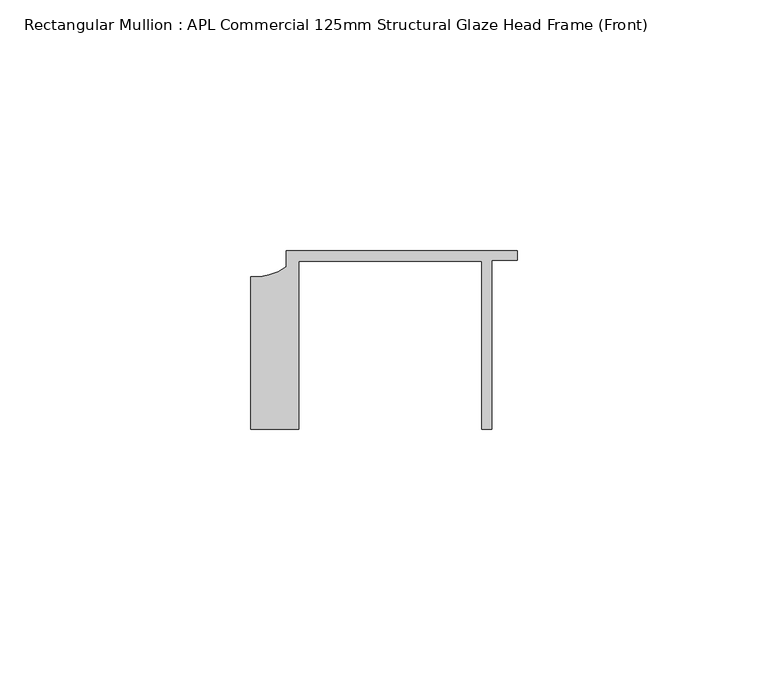
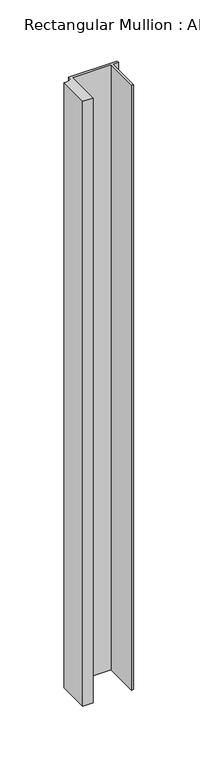
"""IFC4 building model written with IfcOpenShell, lengths in millimetres: member geometry, Rectangular Mullion : APL Commercial 125mm Structural Glaze Head Frame (Front)."""

import ifcopenshell
import ifcopenshell.guid

model = None  # the IFC model being written
_history = None  # IfcOwnerHistory: only IFC2X3 demands one
_inside = {}  # id of a spatial element -> (the spatial element, [elements in it])
_under = {}  # id of a project, library or spatial element -> (it, [spatial elements below it])
_declared = {}  # id of a project -> (the project, [libraries it declares])
_typed = {}  # id of a type object -> (the type object, [elements of that type])
_made_of = {}  # id of a material, layer set ... -> (it, [elements and type objects made of it])


def new_model(schema):
    """Start an empty IFC model of exactly this schema.

    Asked for "IFC4X3", IfcOpenShell would pick the latest addendum, in which some entities
    have other attributes; the version numbers below select the first issue.
    IFC2X3 requires an IfcOwnerHistory on every rooted entity: one is made here for all.
    """
    global model, _history
    if schema == "IFC4X3":
        model = ifcopenshell.file(schema_version=(4, 3, 0, 0))
    else:
        model = ifcopenshell.file(schema=schema)
    _inside.clear()
    _under.clear()
    _declared.clear()
    _typed.clear()
    _made_of.clear()
    _history = None
    if model.schema == "IFC2X3":
        org = make("IfcOrganization", Name="unknown")
        user = make(
            "IfcPersonAndOrganization",
            ThePerson=make("IfcPerson", FamilyName="unknown"),
            TheOrganization=org,
        )
        app = make(
            "IfcApplication",
            ApplicationDeveloper=org,
            Version="unknown",
            ApplicationFullName="unknown",
            ApplicationIdentifier="unknown",
        )
        _history = make(
            "IfcOwnerHistory",
            OwningUser=user,
            OwningApplication=app,
            ChangeAction="ADDED",
            CreationDate=0,
        )
    return model


def make(cls, **values):
    """One entity of the class cls with the attributes given. An attribute that is None is left unset."""
    return model.create_entity(
        cls, **{name: value for name, value in values.items() if value is not None}
    )


def rooted(cls, **values):
    """An entity with a GlobalId (a new one), such as an element, a storey or a relation."""
    return make(cls, GlobalId=ifcopenshell.guid.new(), OwnerHistory=_history, **values)


def si_unit(unit_type, name, prefix=None):
    """IfcSIUnit, for example si_unit("LENGTHUNIT", "METRE", prefix="MILLI")."""
    return make("IfcSIUnit", UnitType=unit_type, Prefix=prefix, Name=name)


def assignment(units):
    """IfcUnitAssignment: the units of a project."""
    return None if units is None else make("IfcUnitAssignment", Units=units)


def point(xyz):
    """IfcCartesianPoint."""
    return None if xyz is None else make("IfcCartesianPoint", Coordinates=xyz)


def direction(xyz):
    """IfcDirection."""
    return None if xyz is None else make("IfcDirection", DirectionRatios=xyz)


def frame(location, z_axis=None, x_axis=None):
    """IfcAxis2Placement3D, a coordinate frame: its origin and axes. An axis left out is left unset."""
    return make(
        "IfcAxis2Placement3D",
        Location=point(location),
        Axis=direction(z_axis),
        RefDirection=direction(x_axis),
    )


def frame_2d(location, x_axis=None):
    """IfcAxis2Placement2D, a coordinate frame in the plane: its origin and x axis."""
    return make(
        "IfcAxis2Placement2D", Location=point(location), RefDirection=direction(x_axis)
    )


def origin():
    """The frame at (0, 0, 0) with its axes left unset."""
    return frame((0.0, 0.0, 0.0))


def place(relative_to, where):
    """IfcLocalPlacement: puts the frame where relative to a parent placement (None: the world)."""
    return make(
        "IfcLocalPlacement", PlacementRelTo=relative_to, RelativePlacement=where
    )


def context(
    kind, dimensions, precision=None, world=None, true_north=None, identifier=None
):
    """IfcGeometricRepresentationContext, for example the 3D "Model" context."""
    return make(
        "IfcGeometricRepresentationContext",
        ContextIdentifier=identifier,
        ContextType=kind,
        CoordinateSpaceDimension=dimensions,
        Precision=precision,
        WorldCoordinateSystem=world,
        TrueNorth=true_north,
    )


def project(units=None, contexts=None):
    """IfcProject with its units and contexts."""
    return rooted(
        "IfcProject",
        Name="project",
        RepresentationContexts=contexts,
        UnitsInContext=assignment(units),
    )


def spatial(cls, under=None, at=None, **own):
    """A site, building, storey or space (cls), placed at a placement, below another one or the project."""
    s = rooted(cls, ObjectPlacement=at, **own)
    if under is not None:
        _under.setdefault(under.id(), (under, []))[1].append(s)
    return s


def polyline(points):
    """IfcPolyline through the points."""
    return make("IfcPolyline", Points=[point(p) for p in points])


def circle_curve(where, radius):
    """IfcCircle in the frame where."""
    return make("IfcCircle", Position=where, Radius=radius)


def trimmed(basis, trim1, trim2, sense, master):
    """IfcTrimmedCurve: the piece of a basis curve between two trims."""
    return make(
        "IfcTrimmedCurve",
        BasisCurve=basis,
        Trim1=trim1,
        Trim2=trim2,
        SenseAgreement=sense,
        MasterRepresentation=master,
    )


def segment(curve, same_sense, transition):
    """IfcCompositeCurveSegment."""
    return make(
        "IfcCompositeCurveSegment",
        Transition=transition,
        SameSense=same_sense,
        ParentCurve=curve,
    )


def composite_curve(segments, self_intersect=None):
    """IfcCompositeCurve: segments joined end to end."""
    return make("IfcCompositeCurve", Segments=segments, SelfIntersect=self_intersect)


def outline(outer, holes=None, kind="AREA"):
    """IfcArbitraryClosedProfileDef: a profile drawn as a closed curve; with holes, ...WithVoids."""
    if holes is None:
        return make("IfcArbitraryClosedProfileDef", ProfileType=kind, OuterCurve=outer)
    return make(
        "IfcArbitraryProfileDefWithVoids",
        ProfileType=kind,
        OuterCurve=outer,
        InnerCurves=holes,
    )


def extrude(swept, where, along, depth):
    """IfcExtrudedAreaSolid: the profile swept, set in the frame where, extruded along a direction by depth."""
    return make(
        "IfcExtrudedAreaSolid",
        SweptArea=swept,
        Position=where,
        ExtrudedDirection=direction(along),
        Depth=depth,
    )


def shape(context_of_items, identifier, shape_type, items):
    """IfcShapeRepresentation: the items that make up one representation, for example the "Body"."""
    return make(
        "IfcShapeRepresentation",
        ContextOfItems=context_of_items,
        RepresentationIdentifier=identifier,
        RepresentationType=shape_type,
        Items=items,
    )


def source(mapping_origin, context_of_items, identifier, shape_type, items):
    """IfcRepresentationMap: a shape defined once, which mapped items show again and again."""
    return make(
        "IfcRepresentationMap",
        MappingOrigin=mapping_origin,
        MappedRepresentation=shape(context_of_items, identifier, shape_type, items),
    )


def transform(
    local_origin,
    x_axis=None,
    y_axis=None,
    z_axis=None,
    scale=None,
    scale2=None,
    scale3=None,
    uniform=True,
):
    """IfcCartesianTransformationOperator3D, or its non-uniform kind. x_axis, y_axis, z_axis: its Axis1, 2, 3."""
    if uniform:
        return make(
            "IfcCartesianTransformationOperator3D",
            Axis1=direction(x_axis),
            Axis2=direction(y_axis),
            LocalOrigin=point(local_origin),
            Scale=scale,
            Axis3=direction(z_axis),
        )
    return make(
        "IfcCartesianTransformationOperator3DnonUniform",
        Axis1=direction(x_axis),
        Axis2=direction(y_axis),
        LocalOrigin=point(local_origin),
        Scale=scale,
        Axis3=direction(z_axis),
        Scale2=scale2,
        Scale3=scale3,
    )


def mapped(mapping_source, mapping_target):
    """IfcMappedItem: shows the shape of a source again, moved by a transform."""
    return make(
        "IfcMappedItem", MappingSource=mapping_source, MappingTarget=mapping_target
    )


def made_of(thing, what):
    """Note that an element or type object is made of a material, layer set ...; save() writes the relation."""
    if what is not None:
        _made_of.setdefault(what.id(), (what, []))[1].append(thing)
    return thing


def element(
    cls,
    number,
    at=None,
    inside=None,
    cuts=None,
    type_object=None,
    material=None,
    context=None,
    identifier="Body",
    shape_type=None,
    held_by="IfcProductDefinitionShape",
    body=None,
    shapes=None,
    **own,
):
    """One element of the class cls, such as IfcWall. Its Tag is "e" and its number.

    at: its placement. inside: the storey or other place that contains it. cuts: it is an
    opening in that element (IfcRelVoidsElement). A single representation is given by context,
    identifier, shape_type and body (its items); several are given by shapes. held_by: the class
    of the entity that holds the representations. save() writes the other relations.
    """
    e = rooted(cls, Tag="e%d" % number, ObjectPlacement=at, **own)
    if body is not None:
        shapes = [shape(context, identifier, shape_type, body)]
    if shapes is not None:
        e.Representation = make(held_by, Representations=shapes)
    if inside is not None:
        _inside.setdefault(inside.id(), (inside, []))[1].append(e)
    if cuts is not None:
        rooted(
            "IfcRelVoidsElement", RelatingBuildingElement=cuts, RelatedOpeningElement=e
        )
    if type_object is not None:
        _typed.setdefault(type_object.id(), (type_object, []))[1].append(e)
    return made_of(e, material)


def aggregate(whole, parts):
    """IfcRelAggregates: a whole, such as a stair, and the parts it consists of."""
    return rooted("IfcRelAggregates", RelatingObject=whole, RelatedObjects=parts)


def save(model, path):
    """Write the relations noted so far, then the file.

    IfcRelAggregates (storeys below a building ...), IfcRelContainedInSpatialStructure (elements
    in a storey), IfcRelDefinesByType, IfcRelAssociatesMaterial and IfcRelDeclares: one each for
    every whole, place, type object, material and project.
    """
    for whole, parts in _under.values():
        aggregate(whole, parts)
    for where, things in _inside.values():
        rooted(
            "IfcRelContainedInSpatialStructure",
            RelatedElements=things,
            RelatingStructure=where,
        )
    for kind, things in _typed.values():
        rooted("IfcRelDefinesByType", RelatedObjects=things, RelatingType=kind)
    for what, things in _made_of.values():
        rooted("IfcRelAssociatesMaterial", RelatedObjects=things, RelatingMaterial=what)
    for by, libraries in _declared.values():
        rooted("IfcRelDeclares", RelatingContext=by, RelatedDefinitions=libraries)
    model.write(path)


def rectangular_mullion_apl_commercial_125mm_structural_glaze_0629dd12(model_context):
    return source(origin(), model_context, "Body", "SweptSolid", [
        extrude(outline(composite_curve([segment(polyline([(-52.9999542, -15.0), (-52.9999542, 15.3798304)]), True, "CONTINUOUS"), segment(trimmed(circle_curve(frame_2d((-52.109817, 25.7982641)), 10.4563907), [point((-52.9999542, 15.3798304))], [point((-45.9999994, 17.3126154))], True, "CARTESIAN"), True, "CONTINUOUS"), segment(polyline([(-45.9999994, 17.3126154), (-45.9999994, 20.5002486), (0.0, 20.5002486), (0.0, 18.7002486), (-5.0, 18.7002486), (-5.0, -15.0), (-7.0, -15.0), (-7.0, 18.5002486), (-43.5000151, 18.5002486), (-43.5000151, -15.0), (-52.9999542, -15.0)]), True, "CONTINUOUS")], self_intersect=False)), frame((0.0, 0.0, -603.2001827), z_axis=(0.0, 0.0, 1.0), x_axis=(1.0, 0.0, 0.0)), (0.0, 0.0, 1.0), 603.2001827),
    ])


if __name__ == "__main__":
    model = new_model("IFC4")
    model_context = context("Model", 3, world=origin())
    ifc_project = project(units=[si_unit("LENGTHUNIT", "METRE", prefix="MILLI")], contexts=[model_context])
    site = spatial("IfcSite", under=ifc_project)
    building = spatial("IfcBuilding", under=site)
    placement = place(None, origin())
    rectangular_mullion_apl_commercial_125mm_structural_glaze_shape = rectangular_mullion_apl_commercial_125mm_structural_glaze_0629dd12(model_context)
    element("IfcMember", 1, ObjectType="Rectangular Mullion : APL Commercial 125mm Structural Glaze Head Frame (Front)", at=placement, inside=building, context=model_context, shape_type="MappedRepresentation", body=[
        mapped(rectangular_mullion_apl_commercial_125mm_structural_glaze_shape, transform((0.0, 0.0, 0.0), x_axis=(1.0, 0.0, 0.0), y_axis=(0.0, 1.0, 0.0), z_axis=(0.0, 0.0, 1.0))),
    ])
    save(model, "model.ifc")
